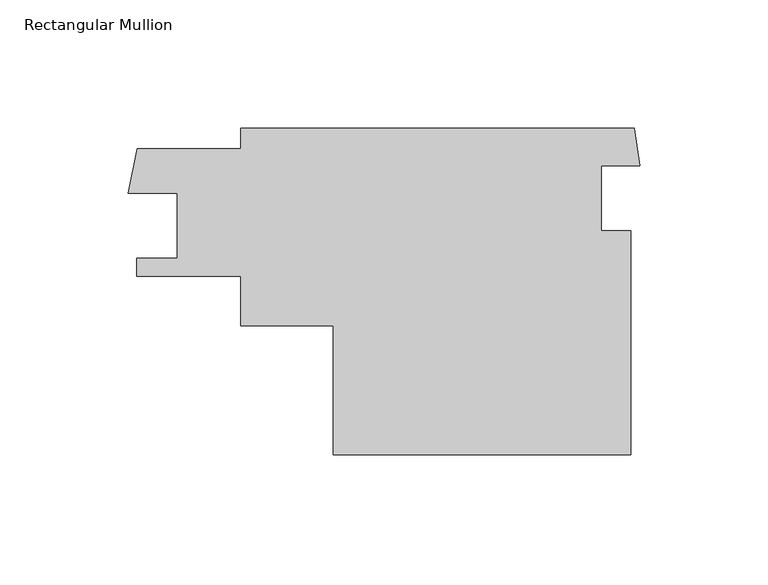
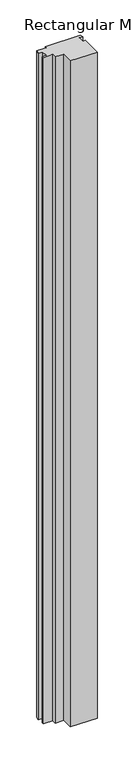
"""IFC4 building model written with IfcOpenShell, lengths in millimetres: member geometry, Rectangular Mullion."""

from ifc_helpers import new_model, si_unit, frame, origin, place, context, project, spatial, polyline, outline, extrude, source, transform, mapped, element, save


def rectangular_mullion_d6654ec6(model_context):
    return source(origin(), model_context, "Body", "SweptSolid", [
        extrude(outline(polyline([(-3.4077036, -76.20635), (-119.2952117, -76.20635), (-119.2952117, -25.9905327), (-155.2590717, -25.9905327), (-155.2590717, -6.7310668), (-195.7492117, -6.7310668), (-195.7492117, 0.2349188), (-179.8742117, 0.2349188), (-179.8742117, 25.6349188), (-198.9405916, 25.6349188), (-195.5991168, 42.8560832), (-155.2590717, 42.8560832), (-155.2590717, 50.79365), (-2.0673111, 50.79365), (0.0, 36.2076216), (-14.8939832, 36.2076216), (-14.8939832, 10.9068404), (-3.4077036, 10.9068404), (-3.4077036, -76.20635)])), frame((0.0, 0.0, -3048.0), z_axis=(0.0, 0.0, 1.0), x_axis=(1.0, 0.0, 0.0)), (0.0, 0.0, 1.0), 3048.0),
    ])


if __name__ == "__main__":
    model = new_model("IFC4")
    model_context = context("Model", 3, world=origin())
    ifc_project = project(units=[si_unit("LENGTHUNIT", "METRE", prefix="MILLI")], contexts=[model_context])
    site = spatial("IfcSite", under=ifc_project)
    building = spatial("IfcBuilding", under=site)
    placement = place(None, origin())
    rectangular_mullion_shape = rectangular_mullion_d6654ec6(model_context)
    element("IfcMember", 1, ObjectType="Rectangular Mullion", at=placement, inside=building, context=model_context, shape_type="MappedRepresentation", body=[
        mapped(rectangular_mullion_shape, transform((0.0, 0.0, 0.0), x_axis=(1.0, 0.0, 0.0), y_axis=(0.0, 1.0, 0.0), z_axis=(0.0, 0.0, 1.0))),
    ])
    save(model, "model.ifc")
